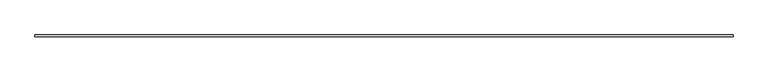
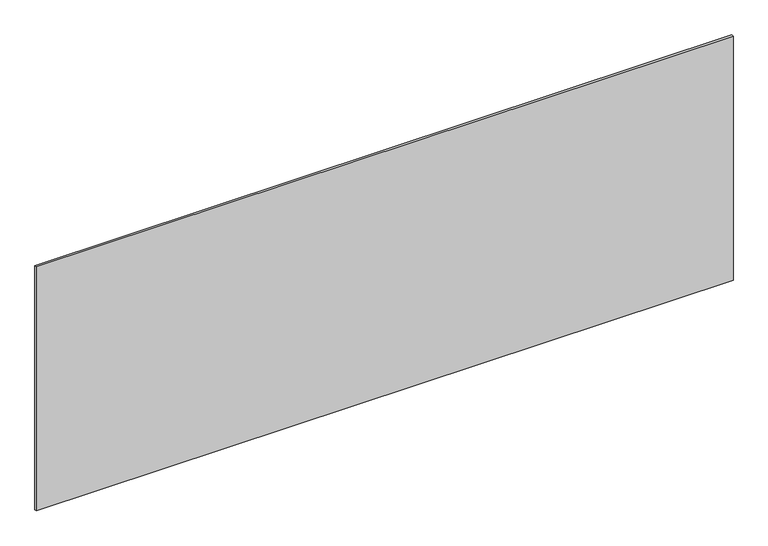
"""IFC4 building model written with IfcOpenShell, lengths in millimetres: plate geometry."""

from ifc_helpers import new_model, si_unit, origin, origin_with_axes, place, context, project, spatial, polyline, outline, extrude, source, transform, mapped, element, save


def plate_b2ffd620(model_context):
    return source(origin(), model_context, "Body", "SweptSolid", [
        extrude(outline(polyline([(1715.0, -5.0), (-1715.0, -5.0), (-1715.0, 5.0), (1715.0, 5.0), (1715.0, -5.0)])), origin_with_axes(), (0.0, 0.0, 1.0), 1269.4397071),
    ])


if __name__ == "__main__":
    model = new_model("IFC4")
    model_context = context("Model", 3, world=origin())
    ifc_project = project(units=[si_unit("LENGTHUNIT", "METRE", prefix="MILLI")], contexts=[model_context])
    site = spatial("IfcSite", under=ifc_project)
    building = spatial("IfcBuilding", under=site)
    placement = place(None, origin())
    plate_shape = plate_b2ffd620(model_context)
    element("IfcPlate", 1, at=placement, inside=building, context=model_context, shape_type="MappedRepresentation", body=[
        mapped(plate_shape, transform((0.0, 0.0, 0.0), x_axis=(1.0, 0.0, 0.0), y_axis=(0.0, 1.0, 0.0), z_axis=(0.0, 0.0, 1.0))),
    ])
    save(model, "model.ifc")
